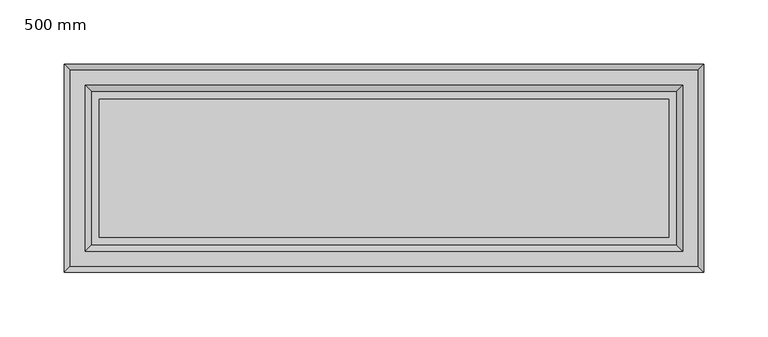
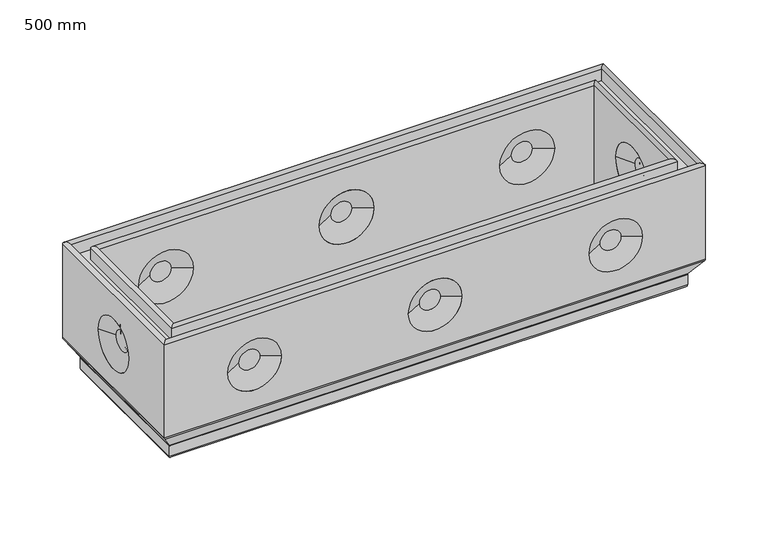
"""IFC4 building model written with IfcOpenShell, lengths in millimetres: proxy geometry, 500 mm."""

from ifc_helpers import new_model, si_unit, frame, origin, place, context, project, spatial, polyline, circle_curve, ellipse_curve, outline, extrude, source, transform, mapped, element, save
from ifc_brep_helpers import plane_surface, cylinder_surface, revolved_surface, advanced_brep


def proxy_500_mm_8e1a6736(model_context):
    return source(origin(), model_context, "Body", "SolidModel", [
        advanced_brep(
        [(471.9583184, 53.5563946, 0.0), (471.9583184, 53.5563946, -18.8303869), (471.9583184, -53.9583184, -18.8303869), (471.9583184, -53.9583184, 0.0), (478.4019238, 60.0, 102.745), (478.4019238, 60.0, 0.0), (478.4019238, -60.4019238, 0.0), (478.4019238, -60.4019238, 102.745), (478.4019238, -25.4516455, 54.3137619), (478.4019238, 25.0497217, 54.3137619), (482.9119238, -64.9119238, 102.745), (482.9119238, 64.51, 102.745), (482.9119238, -64.9119238, 91.8), (482.9119238, 64.51, 91.8), (494.8919238, 76.49, 102.7453869), (494.8919238, 76.49, 91.8), (494.8919238, -76.8919238, 91.8), (494.8919238, -76.8919238, 102.7453869), (499.4019238, -81.4019238, 102.7453869), (499.4019238, 81.0, 102.7453869), (499.4019238, -81.4019238, 11.767597), (499.4019238, 81.0, 11.767597), (499.4019238, 24.1333103, 54.3137619), (499.4019238, -24.5352341, 54.3137619), (498.9320981, -80.9320981, 10.1556982), (498.9320981, 80.5301743, 10.1556982), (489.1932312, -71.1932312, -5.1312607), (489.1932312, 70.7913074, -5.1312607), (488.9583184, -70.9583184, -5.9372101), (488.9583184, 70.5563946, -5.9372101), (488.9583184, -70.9583184, -15.8303869), (488.9583184, 70.5563946, -15.8303869), (485.9583184, -67.9583184, -18.8303869), (485.9583184, 67.5563946, -18.8303869), (28.0416816, -53.9583184, -18.8303869), (28.0416816, -53.9583184, 0.0), (21.5980762, -60.4019238, 0.0), (21.5980762, -60.4019238, 102.745), (59.2359715, -60.4019238, 54.3137619), (108.2640285, -60.4019238, 54.3137619), (225.7359715, -60.4019238, 54.3137619), (274.7640285, -60.4019238, 54.3137619), (392.2359715, -60.4019238, 54.3137619), (441.2640285, -60.4019238, 54.3137619), (17.0880762, -64.9119238, 102.745), (17.0880762, -64.9119238, 91.8), (5.1080762, -76.8919238, 91.8), (5.1080762, -76.8919238, 102.7453869), (0.5980762, -81.4019238, 102.7453869), (0.5980762, -81.4019238, 11.767597), (108.3627216, -81.4019238, 54.3137619), (59.1372784, -81.4019238, 54.3137619), (274.8627216, -81.4019238, 54.3137619), (225.6372784, -81.4019238, 54.3137619), (441.3627216, -81.4019238, 54.3137619), (392.1372784, -81.4019238, 54.3137619), (1.0679019, -80.9320981, 10.1556982), (10.8067688, -71.1932312, -5.1312607), (11.0416816, -70.9583184, -5.9372101), (11.0416816, -70.9583184, -15.8303869), (14.0416816, -67.9583184, -18.8303869), (28.0416816, 53.5563946, -18.8303869), (28.0416816, 53.5563946, 0.0), (21.5980762, 60.0, 0.0), (21.5980762, 60.0, 102.745), (21.5980762, 25.0497217, 54.3137619), (21.5980762, -25.4516455, 54.3137619), (17.0880762, 64.51, 102.745), (17.0880762, 64.51, 91.8), (5.1080762, 76.49, 91.8), (5.1080762, 76.49, 102.7453869), (0.5980762, 81.0, 102.7453869), (0.5980762, 81.0, 11.767597), (0.5980762, -24.5352341, 54.3137619), (0.5980762, 24.1333103, 54.3137619), (1.0679019, 80.5301743, 10.1556982), (10.8067688, 70.7913074, -5.1312607), (11.0416816, 70.5563946, -5.9372101), (11.0416816, 70.5563946, -15.8303869), (14.0416816, 67.5563946, -18.8303869), (109.0006836, 60.0, 54.3137619), (58.4993164, 60.0, 54.3137619), (275.5006836, 60.0, 54.3137619), (224.9993164, 60.0, 54.3137619), (442.0006836, 60.0, 54.3137619), (391.4993164, 60.0, 54.3137619), (59.4157278, 81.0, 54.3137619), (108.0842722, 81.0, 54.3137619), (225.9157278, 81.0, 54.3137619), (274.5842722, 81.0, 54.3137619), (392.4157278, 81.0, 54.3137619), (441.0842722, 81.0, 54.3137619), (74.1699511, 72.95, 54.3137619), (93.3300489, 72.95, 54.3137619), (74.1699511, -68.55, 54.3137619), (93.3300489, -68.55, 54.3137619), (240.6699511, 72.95, 54.3137619), (259.8300489, 72.95, 54.3137619), (240.6699511, -68.55, 54.3137619), (259.8300489, -68.55, 54.3137619), (407.1699511, 72.95, 54.3137619), (426.3300489, 72.95, 54.3137619), (407.1699511, -68.55, 54.3137619), (426.3300489, -68.55, 54.3137619), (74.1699511, 68.55, 54.3137619), (93.3300489, 68.55, 54.3137619), (240.6699511, 68.55, 54.3137619), (259.8300489, 68.55, 54.3137619), (407.1699511, 68.55, 54.3137619), (426.3300489, 68.55, 54.3137619), (74.1699511, -73.2, 54.3137619), (93.3300489, -73.2, 54.3137619), (240.6699511, -73.2, 54.3137619), (259.8300489, -73.2, 54.3137619), (407.1699511, -73.2, 54.3137619), (426.3300489, -73.2, 54.3137619), (8.6480762, -9.7810108, 54.3137619), (8.6480762, 9.379087, 54.3137619), (13.0480762, -9.7810108, 54.3137619), (13.0480762, 9.379087, 54.3137619), (491.3519238, -9.7810108, 54.3137619), (491.3519238, 9.379087, 54.3137619), (486.9519238, -9.7810108, 54.3137619), (486.9519238, 9.379087, 54.3137619)],
        [
            (0, 1),
            (1, 2),
            (2, 3),
            (3, 0),
            (4, 5),
            (5, 6),
            (6, 7),
            (7, 4),
            (8, 9, circle_curve(frame((478.4019238, -0.2009619, 54.3137619), z_axis=(1.0, 0.0, 0.0), x_axis=(0.0, 1.0, 0.0)), 25.2506836)),
            (9, 8, circle_curve(frame((478.4019238, -0.2009619, 54.3137619), z_axis=(1.0, 0.0, 0.0), x_axis=(0.0, -1.0, 0.0)), 25.2506836)),
            (7, 10, ellipse_curve(frame((480.6569238, -62.6569238, 102.745), z_axis=(0.7071067811865475, 0.7071067811865475, 0.0), x_axis=(-0.7071067811865474, 0.7071067811865476, 0.0)), 3.1890516, 2.255)),
            (10, 11),
            (11, 4, ellipse_curve(frame((480.6569238, 62.255, 102.745), z_axis=(0.7071067811865475, -0.7071067811865475, 0.0), x_axis=(0.7071067811865474, 0.7071067811865476, 0.0)), 3.1890516, 2.255)),
            (10, 12),
            (12, 13),
            (13, 11),
            (14, 15),
            (15, 16),
            (16, 17),
            (17, 14),
            (17, 18, ellipse_curve(frame((497.1469238, -79.1469238, 102.7453869), z_axis=(0.7071067811865475, 0.7071067811865475, 0.0), x_axis=(-0.7071067811865474, 0.7071067811865476, 0.0)), 3.1890516, 2.255)),
            (18, 19),
            (19, 14, ellipse_curve(frame((497.1469238, 78.745, 102.7453869), z_axis=(0.7071067811865475, -0.7071067811865475, 0.0), x_axis=(0.7071067811865474, 0.7071067811865476, 0.0)), 3.1890516, 2.255)),
            (18, 20),
            (20, 21),
            (21, 19),
            (22, 23, circle_curve(frame((499.4019238, -0.2009619, 54.3137619), z_axis=(-1.0, 0.0, 0.0), x_axis=(0.0, -1.0, 0.0)), 24.3342722)),
            (23, 22, circle_curve(frame((499.4019238, -0.2009619, 54.3137619), z_axis=(-1.0, 0.0, 0.0), x_axis=(0.0, 1.0, 0.0)), 24.3342722)),
            (20, 24, ellipse_curve(frame((496.4019238, -78.4019238, 11.767597), z_axis=(0.7071067811865475, 0.7071067811865475, 0.0), x_axis=(-0.7071067811865474, 0.7071067811865476, 0.0)), 4.2426407, 3.0)),
            (24, 25),
            (25, 21, ellipse_curve(frame((496.4019238, 78.0, 11.767597), z_axis=(0.7071067811865475, -0.7071067811865475, 0.0), x_axis=(0.7071067811865474, 0.7071067811865476, 0.0)), 4.2426407, 3.0)),
            (24, 26),
            (26, 27),
            (27, 25),
            (26, 28, ellipse_curve(frame((490.4583184, -72.4583184, -5.9372101), z_axis=(-0.7071067811865475, -0.7071067811865475, 0.0), x_axis=(0.7071067811865474, -0.7071067811865476, 0.0)), 2.1213203, 1.5)),
            (28, 29),
            (29, 27, ellipse_curve(frame((490.4583184, 72.0563946, -5.9372101), z_axis=(-0.7071067811865475, 0.7071067811865475, 0.0), x_axis=(-0.7071067811865474, -0.7071067811865476, 0.0)), 2.1213203, 1.5)),
            (28, 30),
            (30, 31),
            (31, 29),
            (30, 32, ellipse_curve(frame((485.9583184, -67.9583184, -15.8303869), z_axis=(0.7071067811865475, 0.7071067811865475, 0.0), x_axis=(-0.7071067811865474, 0.7071067811865476, 0.0)), 4.2426407, 3.0)),
            (32, 33),
            (33, 31, ellipse_curve(frame((485.9583184, 67.5563946, -15.8303869), z_axis=(0.7071067811865475, -0.7071067811865475, 0.0), x_axis=(0.7071067811865474, 0.7071067811865476, 0.0)), 4.2426407, 3.0)),
            (2, 34),
            (34, 35),
            (35, 3),
            (6, 36),
            (36, 37),
            (37, 7),
            (38, 39, circle_curve(frame((83.75, -60.4019238, 54.3137619), z_axis=(0.0, -1.0, 0.0), x_axis=(1.0, 0.0, 0.0)), 24.5140285)),
            (39, 38, circle_curve(frame((83.75, -60.4019238, 54.3137619), z_axis=(0.0, -1.0, 0.0), x_axis=(-1.0, 0.0, 0.0)), 24.5140285)),
            (40, 41, circle_curve(frame((250.25, -60.4019238, 54.3137619), z_axis=(0.0, -1.0, 0.0), x_axis=(1.0, 0.0, 0.0)), 24.5140285)),
            (41, 40, circle_curve(frame((250.25, -60.4019238, 54.3137619), z_axis=(0.0, -1.0, 0.0), x_axis=(-1.0, 0.0, 0.0)), 24.5140285)),
            (42, 43, circle_curve(frame((416.75, -60.4019238, 54.3137619), z_axis=(0.0, -1.0, 0.0), x_axis=(1.0, 0.0, 0.0)), 24.5140285)),
            (43, 42, circle_curve(frame((416.75, -60.4019238, 54.3137619), z_axis=(0.0, -1.0, 0.0), x_axis=(-1.0, 0.0, 0.0)), 24.5140285)),
            (37, 44, ellipse_curve(frame((19.3430762, -62.6569238, 102.745), z_axis=(0.7071067811865475, -0.7071067811865475, 0.0), x_axis=(0.7071067811865476, 0.7071067811865474, 0.0)), 3.1890516, 2.255)),
            (44, 10),
            (44, 45),
            (45, 12),
            (16, 46),
            (46, 47),
            (47, 17),
            (47, 48, ellipse_curve(frame((2.8530762, -79.1469238, 102.7453869), z_axis=(0.7071067811865475, -0.7071067811865475, 0.0), x_axis=(0.7071067811865476, 0.7071067811865474, 0.0)), 3.1890516, 2.255)),
            (48, 18),
            (48, 49),
            (49, 20),
            (50, 51, circle_curve(frame((83.75, -81.4019238, 54.3137619), z_axis=(0.0, 1.0, 0.0), x_axis=(-1.0, 0.0, 0.0)), 24.6127216)),
            (51, 50, circle_curve(frame((83.75, -81.4019238, 54.3137619), z_axis=(0.0, 1.0, 0.0), x_axis=(1.0, 0.0, 0.0)), 24.6127216)),
            (52, 53, circle_curve(frame((250.25, -81.4019238, 54.3137619), z_axis=(0.0, 1.0, 0.0), x_axis=(-1.0, 0.0, 0.0)), 24.6127216)),
            (53, 52, circle_curve(frame((250.25, -81.4019238, 54.3137619), z_axis=(0.0, 1.0, 0.0), x_axis=(1.0, 0.0, 0.0)), 24.6127216)),
            (54, 55, circle_curve(frame((416.75, -81.4019238, 54.3137619), z_axis=(0.0, 1.0, 0.0), x_axis=(-1.0, 0.0, 0.0)), 24.6127216)),
            (55, 54, circle_curve(frame((416.75, -81.4019238, 54.3137619), z_axis=(0.0, 1.0, 0.0), x_axis=(1.0, 0.0, 0.0)), 24.6127216)),
            (49, 56, ellipse_curve(frame((3.5980762, -78.4019238, 11.767597), z_axis=(0.7071067811865475, -0.7071067811865475, 0.0), x_axis=(0.7071067811865476, 0.7071067811865474, 0.0)), 4.2426407, 3.0)),
            (56, 24),
            (56, 57),
            (57, 26),
            (57, 58, ellipse_curve(frame((9.5416816, -72.4583184, -5.9372101), z_axis=(-0.7071067811865475, 0.7071067811865475, 0.0), x_axis=(-0.7071067811865476, -0.7071067811865474, 0.0)), 2.1213203, 1.5)),
            (58, 28),
            (58, 59),
            (59, 30),
            (59, 60, ellipse_curve(frame((14.0416816, -67.9583184, -15.8303869), z_axis=(0.7071067811865475, -0.7071067811865475, 0.0), x_axis=(0.7071067811865476, 0.7071067811865474, 0.0)), 4.2426407, 3.0)),
            (60, 32),
            (34, 61),
            (61, 62),
            (62, 35),
            (36, 63),
            (63, 64),
            (64, 37),
            (65, 66, circle_curve(frame((21.5980762, -0.2009619, 54.3137619), z_axis=(-1.0, 0.0, 0.0), x_axis=(0.0, -1.0, 0.0)), 25.2506836)),
            (66, 65, circle_curve(frame((21.5980762, -0.2009619, 54.3137619), z_axis=(-1.0, 0.0, 0.0), x_axis=(0.0, 1.0, 0.0)), 25.2506836)),
            (64, 67, ellipse_curve(frame((19.3430762, 62.255, 102.745), z_axis=(-0.7071067811865475, -0.7071067811865475, 0.0), x_axis=(0.7071067811865474, -0.7071067811865476, 0.0)), 3.1890516, 2.255)),
            (67, 44),
            (67, 68),
            (68, 45),
            (46, 69),
            (69, 70),
            (70, 47),
            (70, 71, ellipse_curve(frame((2.8530762, 78.745, 102.7453869), z_axis=(-0.7071067811865475, -0.7071067811865475, 0.0), x_axis=(0.7071067811865474, -0.7071067811865476, 0.0)), 3.1890516, 2.255)),
            (71, 48),
            (71, 72),
            (72, 49),
            (73, 74, circle_curve(frame((0.5980762, -0.2009619, 54.3137619), z_axis=(1.0, 0.0, 0.0), x_axis=(0.0, 1.0, 0.0)), 24.3342722)),
            (74, 73, circle_curve(frame((0.5980762, -0.2009619, 54.3137619), z_axis=(1.0, 0.0, 0.0), x_axis=(0.0, -1.0, 0.0)), 24.3342722)),
            (72, 75, ellipse_curve(frame((3.5980762, 78.0, 11.767597), z_axis=(-0.7071067811865475, -0.7071067811865475, 0.0), x_axis=(0.7071067811865474, -0.7071067811865476, 0.0)), 4.2426407, 3.0)),
            (75, 56),
            (75, 76),
            (76, 57),
            (76, 77, ellipse_curve(frame((9.5416816, 72.0563946, -5.9372101), z_axis=(0.7071067811865475, 0.7071067811865475, 0.0), x_axis=(-0.7071067811865474, 0.7071067811865476, 0.0)), 2.1213203, 1.5)),
            (77, 58),
            (77, 78),
            (78, 59),
            (78, 79, ellipse_curve(frame((14.0416816, 67.5563946, -15.8303869), z_axis=(-0.7071067811865475, -0.7071067811865475, 0.0), x_axis=(0.7071067811865474, -0.7071067811865476, 0.0)), 4.2426407, 3.0)),
            (79, 60),
            (0, 62),
            (61, 1),
            (5, 63),
            (4, 64),
            (80, 81, circle_curve(frame((83.75, 60.0, 54.3137619), z_axis=(0.0, 1.0, 0.0), x_axis=(-1.0, 0.0, 0.0)), 25.2506836)),
            (81, 80, circle_curve(frame((83.75, 60.0, 54.3137619), z_axis=(0.0, 1.0, 0.0), x_axis=(1.0, 0.0, 0.0)), 25.2506836)),
            (82, 83, circle_curve(frame((250.25, 60.0, 54.3137619), z_axis=(0.0, 1.0, 0.0), x_axis=(-1.0, 0.0, 0.0)), 25.2506836)),
            (83, 82, circle_curve(frame((250.25, 60.0, 54.3137619), z_axis=(0.0, 1.0, 0.0), x_axis=(1.0, 0.0, 0.0)), 25.2506836)),
            (84, 85, circle_curve(frame((416.75, 60.0, 54.3137619), z_axis=(0.0, 1.0, 0.0), x_axis=(-1.0, 0.0, 0.0)), 25.2506836)),
            (85, 84, circle_curve(frame((416.75, 60.0, 54.3137619), z_axis=(0.0, 1.0, 0.0), x_axis=(1.0, 0.0, 0.0)), 25.2506836)),
            (11, 67),
            (13, 68),
            (15, 69),
            (14, 70),
            (19, 71),
            (21, 72),
            (86, 87, circle_curve(frame((83.75, 81.0, 54.3137619), z_axis=(0.0, -1.0, 0.0), x_axis=(1.0, 0.0, 0.0)), 24.3342722)),
            (87, 86, circle_curve(frame((83.75, 81.0, 54.3137619), z_axis=(0.0, -1.0, 0.0), x_axis=(-1.0, 0.0, 0.0)), 24.3342722)),
            (88, 89, circle_curve(frame((250.25, 81.0, 54.3137619), z_axis=(0.0, -1.0, 0.0), x_axis=(1.0, 0.0, 0.0)), 24.3342722)),
            (89, 88, circle_curve(frame((250.25, 81.0, 54.3137619), z_axis=(0.0, -1.0, 0.0), x_axis=(-1.0, 0.0, 0.0)), 24.3342722)),
            (90, 91, circle_curve(frame((416.75, 81.0, 54.3137619), z_axis=(0.0, -1.0, 0.0), x_axis=(1.0, 0.0, 0.0)), 24.3342722)),
            (91, 90, circle_curve(frame((416.75, 81.0, 54.3137619), z_axis=(0.0, -1.0, 0.0), x_axis=(-1.0, 0.0, 0.0)), 24.3342722)),
            (25, 75),
            (27, 76),
            (29, 77),
            (31, 78),
            (33, 79),
            (92, 93, circle_curve(frame((83.75, 72.95, 54.3137619), z_axis=(0.0, 1.0, 0.0), x_axis=(-1.0, 0.0, 0.0)), 9.5800489)),
            (93, 92, circle_curve(frame((83.75, 72.95, 54.3137619), z_axis=(0.0, 1.0, 0.0), x_axis=(1.0, 0.0, 0.0)), 9.5800489)),
            (93, 87),
            (86, 92),
            (94, 95, circle_curve(frame((83.75, -68.55, 54.3137619), z_axis=(0.0, 1.0, 0.0), x_axis=(-1.0, 0.0, 0.0)), 9.5800489)),
            (95, 94, circle_curve(frame((83.75, -68.55, 54.3137619), z_axis=(0.0, 1.0, 0.0), x_axis=(1.0, 0.0, 0.0)), 9.5800489)),
            (95, 39),
            (38, 94),
            (96, 97, circle_curve(frame((250.25, 72.95, 54.3137619), z_axis=(0.0, 1.0, 0.0), x_axis=(-1.0, 0.0, 0.0)), 9.5800489)),
            (97, 96, circle_curve(frame((250.25, 72.95, 54.3137619), z_axis=(0.0, 1.0, 0.0), x_axis=(1.0, 0.0, 0.0)), 9.5800489)),
            (97, 89),
            (88, 96),
            (98, 99, circle_curve(frame((250.25, -68.55, 54.3137619), z_axis=(0.0, 1.0, 0.0), x_axis=(-1.0, 0.0, 0.0)), 9.5800489)),
            (99, 98, circle_curve(frame((250.25, -68.55, 54.3137619), z_axis=(0.0, 1.0, 0.0), x_axis=(1.0, 0.0, 0.0)), 9.5800489)),
            (99, 41),
            (40, 98),
            (100, 101, circle_curve(frame((416.75, 72.95, 54.3137619), z_axis=(0.0, 1.0, 0.0), x_axis=(-1.0, 0.0, 0.0)), 9.5800489)),
            (101, 100, circle_curve(frame((416.75, 72.95, 54.3137619), z_axis=(0.0, 1.0, 0.0), x_axis=(1.0, 0.0, 0.0)), 9.5800489)),
            (101, 91),
            (90, 100),
            (102, 103, circle_curve(frame((416.75, -68.55, 54.3137619), z_axis=(0.0, 1.0, 0.0), x_axis=(-1.0, 0.0, 0.0)), 9.5800489)),
            (103, 102, circle_curve(frame((416.75, -68.55, 54.3137619), z_axis=(0.0, 1.0, 0.0), x_axis=(1.0, 0.0, 0.0)), 9.5800489)),
            (103, 43),
            (42, 102),
            (104, 105, circle_curve(frame((83.75, 68.55, 54.3137619), z_axis=(0.0, -1.0, 0.0), x_axis=(-1.0, 0.0, 0.0)), 9.5800489)),
            (105, 104, circle_curve(frame((83.75, 68.55, 54.3137619), z_axis=(0.0, -1.0, 0.0), x_axis=(1.0, 0.0, 0.0)), 9.5800489)),
            (104, 81),
            (80, 105),
            (106, 107, circle_curve(frame((250.25, 68.55, 54.3137619), z_axis=(0.0, -1.0, 0.0), x_axis=(-1.0, 0.0, 0.0)), 9.5800489)),
            (107, 106, circle_curve(frame((250.25, 68.55, 54.3137619), z_axis=(0.0, -1.0, 0.0), x_axis=(1.0, 0.0, 0.0)), 9.5800489)),
            (106, 83),
            (82, 107),
            (108, 109, circle_curve(frame((416.75, 68.55, 54.3137619), z_axis=(0.0, -1.0, 0.0), x_axis=(-1.0, 0.0, 0.0)), 9.5800489)),
            (109, 108, circle_curve(frame((416.75, 68.55, 54.3137619), z_axis=(0.0, -1.0, 0.0), x_axis=(1.0, 0.0, 0.0)), 9.5800489)),
            (108, 85),
            (84, 109),
            (110, 111, circle_curve(frame((83.75, -73.2, 54.3137619), z_axis=(0.0, -1.0, 0.0), x_axis=(-1.0, 0.0, 0.0)), 9.5800489)),
            (111, 110, circle_curve(frame((83.75, -73.2, 54.3137619), z_axis=(0.0, -1.0, 0.0), x_axis=(1.0, 0.0, 0.0)), 9.5800489)),
            (110, 51),
            (50, 111),
            (112, 113, circle_curve(frame((250.25, -73.2, 54.3137619), z_axis=(0.0, -1.0, 0.0), x_axis=(-1.0, 0.0, 0.0)), 9.5800489)),
            (113, 112, circle_curve(frame((250.25, -73.2, 54.3137619), z_axis=(0.0, -1.0, 0.0), x_axis=(1.0, 0.0, 0.0)), 9.5800489)),
            (112, 53),
            (52, 113),
            (114, 115, circle_curve(frame((416.75, -73.2, 54.3137619), z_axis=(0.0, -1.0, 0.0), x_axis=(-1.0, 0.0, 0.0)), 9.5800489)),
            (115, 114, circle_curve(frame((416.75, -73.2, 54.3137619), z_axis=(0.0, -1.0, 0.0), x_axis=(1.0, 0.0, 0.0)), 9.5800489)),
            (114, 55),
            (54, 115),
            (116, 117, circle_curve(frame((8.6480762, -0.2009619, 54.3137619), z_axis=(-1.0, 0.0, 0.0), x_axis=(0.0, -1.0, 0.0)), 9.5800489)),
            (117, 116, circle_curve(frame((8.6480762, -0.2009619, 54.3137619), z_axis=(-1.0, 0.0, 0.0), x_axis=(0.0, 1.0, 0.0)), 9.5800489)),
            (117, 74),
            (73, 116),
            (118, 119, circle_curve(frame((13.0480762, -0.2009619, 54.3137619), z_axis=(1.0, 0.0, 0.0), x_axis=(0.0, -1.0, 0.0)), 9.5800489)),
            (119, 118, circle_curve(frame((13.0480762, -0.2009619, 54.3137619), z_axis=(1.0, 0.0, 0.0), x_axis=(0.0, 1.0, 0.0)), 9.5800489)),
            (118, 66),
            (65, 119),
            (120, 121, circle_curve(frame((491.3519238, -0.2009619, 54.3137619), z_axis=(1.0, 0.0, 0.0), x_axis=(0.0, -1.0, 0.0)), 9.5800489)),
            (121, 120, circle_curve(frame((491.3519238, -0.2009619, 54.3137619), z_axis=(1.0, 0.0, 0.0), x_axis=(0.0, 1.0, 0.0)), 9.5800489)),
            (120, 23),
            (22, 121),
            (122, 123, circle_curve(frame((486.9519238, -0.2009619, 54.3137619), z_axis=(-1.0, 0.0, 0.0), x_axis=(0.0, -1.0, 0.0)), 9.5800489)),
            (123, 122, circle_curve(frame((486.9519238, -0.2009619, 54.3137619), z_axis=(-1.0, 0.0, 0.0), x_axis=(0.0, 1.0, 0.0)), 9.5800489)),
            (123, 9),
            (8, 122),
        ],
        [
            plane_surface(frame((471.9583184, 53.5563946, -18.8303869), z_axis=(-1.0, 0.0, 0.0), x_axis=(0.0, -1.0, 0.0))),
            plane_surface(frame((478.4019238, 60.0, 0.0), z_axis=(-1.0, 0.0, 0.0), x_axis=(0.0, -1.0, 0.0))),
            cylinder_surface(frame((480.6569238, 60.0980762, 102.745), z_axis=(0.0, 1.0, 0.0), x_axis=(1.0, 0.0, 0.0)), 2.255),
            plane_surface(frame((482.9119238, 64.51, 102.745), z_axis=(1.0, 0.0, 0.0), x_axis=(0.0, -1.0, 0.0))),
            plane_surface(frame((494.8919238, 76.49, 91.8), z_axis=(-1.0, 0.0, 0.0), x_axis=(0.0, -1.0, 0.0))),
            cylinder_surface(frame((497.1469238, 60.0980762, 102.7453869), z_axis=(0.0, 1.0, 0.0), x_axis=(1.0, 0.0, 0.0)), 2.255),
            plane_surface(frame((499.4019238, 81.0, 102.7453869), z_axis=(1.0, 0.0, 0.0), x_axis=(0.0, -1.0, 0.0))),
            cylinder_surface(frame((496.4019238, 60.0980762, 11.767597), z_axis=(0.0, 1.0, 0.0), x_axis=(1.0, 0.0, 0.0)), 3.0),
            plane_surface(frame((498.9320981, 80.5301743, 10.1556982), z_axis=(0.8433914458128816, 0.0, -0.5372996083468303), x_axis=(0.0, -1.0, 0.0))),
            revolved_surface(polyline([(491.9583184, -73.95831836919868, -5.9372101), (491.9583184, 73.55639456919869, -5.9372101)]), (490.4583184, 60.0980762, -5.9372101), (0.0, -1.0, 0.0)),
            plane_surface(frame((488.9583184, 70.5563946, -5.9372101), z_axis=(1.0, 0.0, 0.0), x_axis=(0.0, -1.0, 0.0))),
            cylinder_surface(frame((485.9583184, 60.0980762, -15.8303869), z_axis=(0.0, 1.0, 0.0), x_axis=(1.0, 0.0, 0.0)), 3.0),
            plane_surface(frame((471.9583184, -53.9583184, -18.8303869), z_axis=(0.0, 1.0, 0.0), x_axis=(-1.0, 0.0, 0.0))),
            plane_surface(frame((478.4019238, -60.4019238, 0.0), z_axis=(0.0, 1.0, 0.0), x_axis=(-1.0, 0.0, 0.0))),
            cylinder_surface(frame((478.5, -62.6569238, 102.745), z_axis=(1.0, 0.0, 0.0), x_axis=(0.0, -1.0, 0.0)), 2.255),
            plane_surface(frame((482.9119238, -64.9119238, 102.745), z_axis=(0.0, -1.0, 0.0), x_axis=(-1.0, 0.0, 0.0))),
            plane_surface(frame((494.8919238, -76.8919238, 91.8), z_axis=(0.0, 1.0, 0.0), x_axis=(-1.0, 0.0, 0.0))),
            cylinder_surface(frame((478.5, -79.1469238, 102.7453869), z_axis=(1.0, 0.0, 0.0), x_axis=(0.0, -1.0, 0.0)), 2.255),
            plane_surface(frame((499.4019238, -81.4019238, 102.7453869), z_axis=(0.0, -1.0, 0.0), x_axis=(-1.0, 0.0, 0.0))),
            cylinder_surface(frame((478.5, -78.4019238, 11.767597), z_axis=(1.0, 0.0, 0.0), x_axis=(0.0, -1.0, 0.0)), 3.0),
            plane_surface(frame((498.9320981, -80.9320981, 10.1556982), z_axis=(0.0, -0.8433914458128816, -0.5372996083468303), x_axis=(-1.0, 0.0, 0.0))),
            revolved_surface(polyline([(8.04168163080135, -73.9583184, -5.9372101), (491.95831836919865, -73.9583184, -5.9372101)]), (478.5, -72.4583184, -5.9372101), (-1.0, 0.0, 0.0)),
            plane_surface(frame((488.9583184, -70.9583184, -5.9372101), z_axis=(0.0, -1.0, 0.0), x_axis=(-1.0, 0.0, 0.0))),
            cylinder_surface(frame((478.5, -67.9583184, -15.8303869), z_axis=(1.0, 0.0, 0.0), x_axis=(0.0, -1.0, 0.0)), 3.0),
            plane_surface(frame((28.0416816, -53.9583184, -18.8303869), z_axis=(1.0, 0.0, 0.0), x_axis=(0.0, 1.0, 0.0))),
            plane_surface(frame((21.5980762, -60.4019238, 0.0), z_axis=(1.0, 0.0, 0.0), x_axis=(0.0, 1.0, 0.0))),
            cylinder_surface(frame((19.3430762, -60.5, 102.745), z_axis=(0.0, -1.0, 0.0), x_axis=(-1.0, 0.0, 0.0)), 2.255),
            plane_surface(frame((17.0880762, -64.9119238, 102.745), z_axis=(-1.0, 0.0, 0.0), x_axis=(0.0, 1.0, 0.0))),
            plane_surface(frame((5.1080762, -76.8919238, 91.8), z_axis=(1.0, 0.0, 0.0), x_axis=(0.0, 1.0, 0.0))),
            cylinder_surface(frame((2.8530762, -60.5, 102.7453869), z_axis=(0.0, -1.0, 0.0), x_axis=(-1.0, 0.0, 0.0)), 2.255),
            plane_surface(frame((0.5980762, -81.4019238, 102.7453869), z_axis=(-1.0, 0.0, 0.0), x_axis=(0.0, 1.0, 0.0))),
            cylinder_surface(frame((3.5980762, -60.5, 11.767597), z_axis=(0.0, -1.0, 0.0), x_axis=(-1.0, 0.0, 0.0)), 3.0),
            plane_surface(frame((1.0679019, -80.9320981, 10.1556982), z_axis=(-0.8433914458128816, 0.0, -0.5372996083468303), x_axis=(0.0, 1.0, 0.0))),
            revolved_surface(polyline([(8.0416816, 73.55639456919869, -5.9372101), (8.0416816, -73.95831836919868, -5.9372101)]), (9.5416816, -60.5, -5.9372101), (0.0, 1.0, 0.0)),
            plane_surface(frame((11.0416816, -70.9583184, -5.9372101), z_axis=(-1.0, 0.0, 0.0), x_axis=(0.0, 1.0, 0.0))),
            cylinder_surface(frame((14.0416816, -60.5, -15.8303869), z_axis=(0.0, -1.0, 0.0), x_axis=(-1.0, 0.0, 0.0)), 3.0),
            plane_surface(frame((28.0416816, 53.5563946, -18.8303869), z_axis=(0.0, -1.0, 0.0), x_axis=(1.0, 0.0, 0.0))),
            plane_surface(frame((28.0416816, 53.5563946, 0.0), z_axis=(0.0, 0.0, 1.0), x_axis=(1.0, 0.0, 0.0))),
            plane_surface(frame((21.5980762, 60.0, 0.0), z_axis=(0.0, -1.0, 0.0), x_axis=(1.0, 0.0, 0.0))),
            cylinder_surface(frame((21.5, 62.255, 102.745), z_axis=(-1.0, 0.0, 0.0), x_axis=(0.0, 1.0, 0.0)), 2.255),
            plane_surface(frame((17.0880762, 64.51, 102.745), z_axis=(0.0, 1.0, 0.0), x_axis=(1.0, 0.0, 0.0))),
            plane_surface(frame((17.0880762, 64.51, 91.8), z_axis=(0.0, 0.0, 1.0), x_axis=(1.0, 0.0, 0.0))),
            plane_surface(frame((5.1080762, 76.49, 91.8), z_axis=(0.0, -1.0, 0.0), x_axis=(1.0, 0.0, 0.0))),
            cylinder_surface(frame((21.5, 78.745, 102.7453869), z_axis=(-1.0, 0.0, 0.0), x_axis=(0.0, 1.0, 0.0)), 2.255),
            plane_surface(frame((0.5980762, 81.0, 102.7453869), z_axis=(0.0, 1.0, 0.0), x_axis=(1.0, 0.0, 0.0))),
            cylinder_surface(frame((21.5, 78.0, 11.767597), z_axis=(-1.0, 0.0, 0.0), x_axis=(0.0, 1.0, 0.0)), 3.0),
            plane_surface(frame((1.0679019, 80.5301743, 10.1556982), z_axis=(0.0, 0.8433914458128816, -0.5372996083468303), x_axis=(1.0, 0.0, 0.0))),
            revolved_surface(polyline([(491.95831836919865, 73.5563946, -5.9372101), (8.04168163080132, 73.5563946, -5.9372101)]), (21.5, 72.0563946, -5.9372101), (1.0, 0.0, 0.0)),
            plane_surface(frame((11.0416816, 70.5563946, -5.9372101), z_axis=(0.0, 1.0, 0.0), x_axis=(1.0, 0.0, 0.0))),
            cylinder_surface(frame((21.5, 67.5563946, -15.8303869), z_axis=(-1.0, 0.0, 0.0), x_axis=(0.0, 1.0, 0.0)), 3.0),
            plane_surface(frame((14.0416816, 67.5563946, -18.8303869), z_axis=(0.0, 0.0, -1.0), x_axis=(1.0, 0.0, 0.0))),
            plane_surface(frame((83.75, 72.95, 54.3137619), z_axis=(0.0, 1.0, 0.0), x_axis=(0.0, 0.0, 1.0))),
            revolved_surface(polyline([(108.0842722, 81.0, 54.3137619), (93.33004894162178, 72.95, 54.3137619)]), (83.75, 67.7230631, 54.3137619), (0.0, 1.0, 0.0)),
            revolved_surface(polyline([(59.4157278, 81.0, 54.3137619), (74.16995105837822, 72.95, 54.3137619)]), (83.75, 67.7230631, 54.3137619), (0.0, 1.0, 0.0)),
            plane_surface(frame((83.75, -68.55, 54.3137619), z_axis=(0.0, 1.0, 0.0), x_axis=(0.0, 0.0, 1.0))),
            revolved_surface(polyline([(108.2640285, -60.4019238, 54.3137619), (93.33004894472228, -68.55, 54.3137619)]), (83.75, -73.7769369, 54.3137619), (0.0, 1.0, 0.0)),
            revolved_surface(polyline([(59.2359715, -60.4019238, 54.3137619), (74.16995105527772, -68.55, 54.3137619)]), (83.75, -73.7769369, 54.3137619), (0.0, 1.0, 0.0)),
            plane_surface(frame((250.25, 72.95, 54.3137619), z_axis=(0.0, 1.0, 0.0), x_axis=(0.0, 0.0, 1.0))),
            revolved_surface(polyline([(274.5842722, 81.0, 54.3137619), (259.8300489416218, 72.95, 54.3137619)]), (250.25, 67.7230631, 54.3137619), (0.0, 1.0, 0.0)),
            revolved_surface(polyline([(225.9157278, 81.0, 54.3137619), (240.66995105837822, 72.95, 54.3137619)]), (250.25, 67.7230631, 54.3137619), (0.0, 1.0, 0.0)),
            plane_surface(frame((250.25, -68.55, 54.3137619), z_axis=(0.0, 1.0, 0.0), x_axis=(0.0, 0.0, 1.0))),
            revolved_surface(polyline([(274.7640285, -60.4019238, 54.3137619), (259.83004894472225, -68.55, 54.3137619)]), (250.25, -73.7769369, 54.3137619), (0.0, 1.0, 0.0)),
            revolved_surface(polyline([(225.7359715, -60.4019238, 54.3137619), (240.66995105527772, -68.55, 54.3137619)]), (250.25, -73.7769369, 54.3137619), (0.0, 1.0, 0.0)),
            plane_surface(frame((416.75, 72.95, 54.3137619), z_axis=(0.0, 1.0, 0.0), x_axis=(0.0, 0.0, 1.0))),
            revolved_surface(polyline([(441.0842722, 81.0, 54.3137619), (426.3300489416218, 72.95, 54.3137619)]), (416.75, 67.7230631, 54.3137619), (0.0, 1.0, 0.0)),
            revolved_surface(polyline([(392.4157278, 81.0, 54.3137619), (407.1699510583782, 72.95, 54.3137619)]), (416.75, 67.7230631, 54.3137619), (0.0, 1.0, 0.0)),
            plane_surface(frame((416.75, -68.55, 54.3137619), z_axis=(0.0, 1.0, 0.0), x_axis=(0.0, 0.0, 1.0))),
            revolved_surface(polyline([(441.2640285, -60.4019238, 54.3137619), (426.33004894472225, -68.55, 54.3137619)]), (416.75, -73.7769369, 54.3137619), (0.0, 1.0, 0.0)),
            revolved_surface(polyline([(392.2359715, -60.4019238, 54.3137619), (407.16995105527775, -68.55, 54.3137619)]), (416.75, -73.7769369, 54.3137619), (0.0, 1.0, 0.0)),
            plane_surface(frame((83.75, 68.55, 54.3137619), z_axis=(0.0, -1.0, 0.0), x_axis=(0.0, 0.0, -1.0))),
            revolved_surface(polyline([(58.4993164, 60.0, 54.3137619), (74.16995105174178, 68.55, 54.3137619)]), (83.75, 73.7769369, 54.3137619), (0.0, -1.0, 0.0)),
            revolved_surface(polyline([(109.0006836, 60.0, 54.3137619), (93.33004894825822, 68.55, 54.3137619)]), (83.75, 73.7769369, 54.3137619), (0.0, -1.0, 0.0)),
            plane_surface(frame((250.25, 68.55, 54.3137619), z_axis=(0.0, -1.0, 0.0), x_axis=(0.0, 0.0, -1.0))),
            revolved_surface(polyline([(224.9993164, 60.0, 54.3137619), (240.66995105174178, 68.55, 54.3137619)]), (250.25, 73.7769369, 54.3137619), (0.0, -1.0, 0.0)),
            revolved_surface(polyline([(275.5006836, 60.0, 54.3137619), (259.8300489482582, 68.55, 54.3137619)]), (250.25, 73.7769369, 54.3137619), (0.0, -1.0, 0.0)),
            plane_surface(frame((416.75, 68.55, 54.3137619), z_axis=(0.0, -1.0, 0.0), x_axis=(0.0, 0.0, -1.0))),
            revolved_surface(polyline([(391.4993164, 60.0, 54.3137619), (407.1699510517418, 68.55, 54.3137619)]), (416.75, 73.7769369, 54.3137619), (0.0, -1.0, 0.0)),
            revolved_surface(polyline([(442.0006836, 60.0, 54.3137619), (426.3300489482582, 68.55, 54.3137619)]), (416.75, 73.7769369, 54.3137619), (0.0, -1.0, 0.0)),
            plane_surface(frame((83.75, -73.2, 54.3137619), z_axis=(0.0, -1.0, 0.0), x_axis=(0.0, 0.0, -1.0))),
            revolved_surface(polyline([(59.1372784, -81.4019238, 54.3137619), (74.16995105806205, -73.2, 54.3137619)]), (83.75, -67.9730631, 54.3137619), (0.0, -1.0, 0.0)),
            revolved_surface(polyline([(108.3627216, -81.4019238, 54.3137619), (93.33004894193795, -73.2, 54.3137619)]), (83.75, -67.9730631, 54.3137619), (0.0, -1.0, 0.0)),
            plane_surface(frame((250.25, -73.2, 54.3137619), z_axis=(0.0, -1.0, 0.0), x_axis=(0.0, 0.0, -1.0))),
            revolved_surface(polyline([(225.6372784, -81.4019238, 54.3137619), (240.66995105806205, -73.2, 54.3137619)]), (250.25, -67.9730631, 54.3137619), (0.0, -1.0, 0.0)),
            revolved_surface(polyline([(274.8627216, -81.4019238, 54.3137619), (259.83004894193795, -73.2, 54.3137619)]), (250.25, -67.9730631, 54.3137619), (0.0, -1.0, 0.0)),
            plane_surface(frame((416.75, -73.2, 54.3137619), z_axis=(0.0, -1.0, 0.0), x_axis=(0.0, 0.0, -1.0))),
            revolved_surface(polyline([(392.1372784, -81.4019238, 54.3137619), (407.16995105806205, -73.2, 54.3137619)]), (416.75, -67.9730631, 54.3137619), (0.0, -1.0, 0.0)),
            revolved_surface(polyline([(441.3627216, -81.4019238, 54.3137619), (426.33004894193795, -73.2, 54.3137619)]), (416.75, -67.9730631, 54.3137619), (0.0, -1.0, 0.0)),
            plane_surface(frame((8.6480762, -0.2009619, 54.3137619), z_axis=(-1.0, 0.0, 0.0), x_axis=(0.0, 0.0, 1.0))),
            revolved_surface(polyline([(0.5980761999999995, 24.1333103, 54.3137619), (8.6480762, 9.379087041621782, 54.3137619)]), (13.8750131, -0.2009619, 54.3137619), (-1.0, 0.0, 0.0)),
            revolved_surface(polyline([(0.5980761999999995, -24.5352341, 54.3137619), (8.6480762, -9.78101084162178, 54.3137619)]), (13.8750131, -0.2009619, 54.3137619), (-1.0, 0.0, 0.0)),
            plane_surface(frame((13.0480762, -0.2009619, 54.3137619), z_axis=(1.0, 0.0, 0.0), x_axis=(0.0, 0.0, -1.0))),
            revolved_surface(polyline([(21.5980762, -25.4516455, 54.3137619), (13.0480762, -9.781010848258218, 54.3137619)]), (7.8211393, -0.2009619, 54.3137619), (1.0, 0.0, 0.0)),
            revolved_surface(polyline([(21.5980762, 25.0497217, 54.3137619), (13.0480762, 9.379087048258219, 54.3137619)]), (7.8211393, -0.2009619, 54.3137619), (1.0, 0.0, 0.0)),
            plane_surface(frame((491.3519238, -0.2009619, 54.3137619), z_axis=(1.0, 0.0, 0.0), x_axis=(0.0, 0.0, -1.0))),
            revolved_surface(polyline([(499.4019238, -24.5352341, 54.3137619), (491.3519238, -9.781010841621772, 54.3137619)]), (486.1249869, -0.2009619, 54.3137619), (1.0, 0.0, 0.0)),
            revolved_surface(polyline([(499.4019238, 24.1333103, 54.3137619), (491.3519238, 9.379087041621773, 54.3137619)]), (486.1249869, -0.2009619, 54.3137619), (1.0, 0.0, 0.0)),
            plane_surface(frame((486.9519238, -0.2009619, 54.3137619), z_axis=(-1.0, 0.0, 0.0), x_axis=(0.0, 0.0, 1.0))),
            revolved_surface(polyline([(478.4019238, 25.0497217, 54.3137619), (486.9519238, 9.379087048258247, 54.3137619)]), (492.1788607, -0.2009619, 54.3137619), (-1.0, 0.0, 0.0)),
            revolved_surface(polyline([(478.4019238, -25.4516455, 54.3137619), (486.9519238, -9.781010848258248, 54.3137619)]), (492.1788607, -0.2009619, 54.3137619), (-1.0, 0.0, 0.0)),
        ],
        [
            (0, [[1, 2, 3, 4]]),
            (1, [[5, 6, 7, 8], [9, 10]]),
            (2, [[-8, 11, 12, 13]]),
            (3, [[-12, 14, 15, 16]]),
            (4, [[17, 18, 19, 20]]),
            (5, [[-20, 21, 22, 23]]),
            (6, [[-22, 24, 25, 26], [27, 28]]),
            (7, [[-25, 29, 30, 31]]),
            (8, [[-30, 32, 33, 34]]),
            (9, [[-33, 35, 36, 37]]),
            (10, [[-36, 38, 39, 40]]),
            (11, [[-39, 41, 42, 43]]),
            (12, [[-3, 44, 45, 46]]),
            (13, [[-7, 47, 48, 49], [50, 51], [52, 53], [54, 55]]),
            (14, [[-11, -49, 56, 57]]),
            (15, [[-14, -57, 58, 59]]),
            (16, [[-19, 60, 61, 62]]),
            (17, [[-21, -62, 63, 64]]),
            (18, [[-24, -64, 65, 66], [67, 68], [69, 70], [71, 72]]),
            (19, [[-29, -66, 73, 74]]),
            (20, [[-32, -74, 75, 76]]),
            (21, [[-35, -76, 77, 78]]),
            (22, [[-38, -78, 79, 80]]),
            (23, [[-41, -80, 81, 82]]),
            (24, [[-45, 83, 84, 85]]),
            (25, [[-48, 86, 87, 88], [89, 90]]),
            (26, [[-56, -88, 91, 92]]),
            (27, [[-58, -92, 93, 94]]),
            (28, [[-61, 95, 96, 97]]),
            (29, [[-63, -97, 98, 99]]),
            (30, [[-65, -99, 100, 101], [102, 103]]),
            (31, [[-73, -101, 104, 105]]),
            (32, [[-75, -105, 106, 107]]),
            (33, [[-77, -107, 108, 109]]),
            (34, [[-79, -109, 110, 111]]),
            (35, [[-81, -111, 112, 113]]),
            (36, [[-1, 114, -84, 115]]),
            (37, [[-6, 116, -86, -47], [-4, -46, -85, -114]]),
            (38, [[-5, 117, -87, -116], [118, 119], [120, 121], [122, 123]]),
            (39, [[-13, 124, -91, -117]]),
            (40, [[-16, 125, -93, -124]]),
            (41, [[-18, 126, -95, -60], [-15, -59, -94, -125]]),
            (42, [[-17, 127, -96, -126]]),
            (43, [[-23, 128, -98, -127]]),
            (44, [[-26, 129, -100, -128], [130, 131], [132, 133], [134, 135]]),
            (45, [[-31, 136, -104, -129]]),
            (46, [[-34, 137, -106, -136]]),
            (47, [[-37, 138, -108, -137]]),
            (48, [[-40, 139, -110, -138]]),
            (49, [[-43, 140, -112, -139]]),
            (50, [[-42, -82, -113, -140], [-2, -115, -83, -44]]),
            (51, [[141, 142]]),
            (52, [[-142, 143, -130, 144]]),
            (53, [[-141, -144, -131, -143]]),
            (54, [[145, 146]]),
            (55, [[-146, 147, -50, 148]]),
            (56, [[-145, -148, -51, -147]]),
            (57, [[149, 150]]),
            (58, [[-150, 151, -132, 152]]),
            (59, [[-149, -152, -133, -151]]),
            (60, [[153, 154]]),
            (61, [[-154, 155, -52, 156]]),
            (62, [[-153, -156, -53, -155]]),
            (63, [[157, 158]]),
            (64, [[-158, 159, -134, 160]]),
            (65, [[-157, -160, -135, -159]]),
            (66, [[161, 162]]),
            (67, [[-162, 163, -54, 164]]),
            (68, [[-161, -164, -55, -163]]),
            (69, [[165, 166]]),
            (70, [[-165, 167, -118, 168]]),
            (71, [[-166, -168, -119, -167]]),
            (72, [[169, 170]]),
            (73, [[-169, 171, -120, 172]]),
            (74, [[-170, -172, -121, -171]]),
            (75, [[173, 174]]),
            (76, [[-173, 175, -122, 176]]),
            (77, [[-174, -176, -123, -175]]),
            (78, [[177, 178]]),
            (79, [[-177, 179, -67, 180]]),
            (80, [[-178, -180, -68, -179]]),
            (81, [[181, 182]]),
            (82, [[-181, 183, -69, 184]]),
            (83, [[-182, -184, -70, -183]]),
            (84, [[185, 186]]),
            (85, [[-185, 187, -71, 188]]),
            (86, [[-186, -188, -72, -187]]),
            (87, [[189, 190]]),
            (88, [[-190, 191, -102, 192]]),
            (89, [[-189, -192, -103, -191]]),
            (90, [[193, 194]]),
            (91, [[-193, 195, -89, 196]]),
            (92, [[-194, -196, -90, -195]]),
            (93, [[197, 198]]),
            (94, [[-197, 199, -27, 200]]),
            (95, [[-198, -200, -28, -199]]),
            (96, [[201, 202]]),
            (97, [[-202, 203, -9, 204]]),
            (98, [[-201, -204, -10, -203]]),
        ],
    ),
        extrude(outline(polyline([(471.9583184, 53.5563946), (471.9583184, -53.9583184), (28.0416816, -53.9583184), (28.0416816, 53.5563946), (471.9583184, 53.5563946)])), frame((0.0, 0.0, -17.3303869), z_axis=(0.0, 0.0, 1.0), x_axis=(1.0, 0.0, 0.0)), (0.0, 0.0, 1.0), 17.3303869),
        extrude(outline(polyline([(401.75, -47.75), (399.75, -47.75), (399.75, 47.25), (401.75, 47.25), (401.75, -47.75)])), frame((0.0, 0.0, -26.8303869), z_axis=(0.0, 0.0, 1.0), x_axis=(1.0, 0.0, 0.0)), (0.0, 0.0, 1.0), 9.5),
        extrude(outline(polyline([(433.75, -47.75), (431.75, -47.75), (431.75, 47.25), (433.75, 47.25), (433.75, -47.75)])), frame((0.0, 0.0, -29.1940506), z_axis=(0.0, 0.0, 1.0), x_axis=(1.0, 0.0, 0.0)), (0.0, 0.0, 1.0), 10.1940506),
        extrude(outline(polyline([(235.25, -47.75), (233.25, -47.75), (233.25, 47.25), (235.25, 47.25), (235.25, -47.75)])), frame((0.0, 0.0, -26.8303869), z_axis=(0.0, 0.0, 1.0), x_axis=(1.0, 0.0, 0.0)), (0.0, 0.0, 1.0), 9.5),
        extrude(outline(polyline([(267.25, -47.75), (265.25, -47.75), (265.25, 47.25), (267.25, 47.25), (267.25, -47.75)])), frame((0.0, 0.0, -29.1940506), z_axis=(0.0, 0.0, 1.0), x_axis=(1.0, 0.0, 0.0)), (0.0, 0.0, 1.0), 10.1940506),
        extrude(outline(polyline([(68.75, -47.75), (66.75, -47.75), (66.75, 47.25), (68.75, 47.25), (68.75, -47.75)])), frame((0.0, 0.0, -26.8303869), z_axis=(0.0, 0.0, 1.0), x_axis=(1.0, 0.0, 0.0)), (0.0, 0.0, 1.0), 9.5),
        extrude(outline(polyline([(100.75, -47.75), (98.75, -47.75), (98.75, 47.25), (100.75, 47.25), (100.75, -47.75)])), frame((0.0, 0.0, -29.1940506), z_axis=(0.0, 0.0, 1.0), x_axis=(1.0, 0.0, 0.0)), (0.0, 0.0, 1.0), 10.1940506),
    ])


if __name__ == "__main__":
    model = new_model("IFC4")
    model_context = context("Model", 3, world=origin())
    ifc_project = project(units=[si_unit("LENGTHUNIT", "METRE", prefix="MILLI")], contexts=[model_context])
    site = spatial("IfcSite", under=ifc_project)
    building = spatial("IfcBuilding", under=site)
    placement = place(None, origin())
    proxy_500_mm_shape = proxy_500_mm_8e1a6736(model_context)
    element("IfcBuildingElementProxy", 1, Name="500 mm", ObjectType="500 mm", at=placement, inside=building, context=model_context, shape_type="MappedRepresentation", body=[
        mapped(proxy_500_mm_shape, transform((0.0, 0.0, 0.0), x_axis=(1.0, 0.0, 0.0), y_axis=(0.0, 1.0, 0.0), z_axis=(0.0, 0.0, 1.0))),
    ])
    save(model, "model.ifc")
